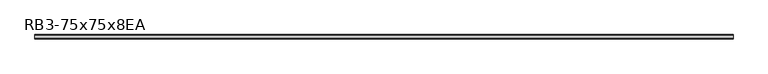
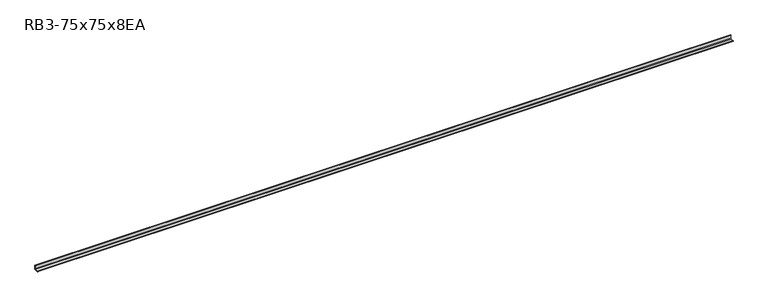
"""IFC4 building model written with IfcOpenShell, lengths in millimetres: member geometry, RB3-75x75x8EA."""

import ifcopenshell
import ifcopenshell.guid

model = None  # the IFC model being written
_history = None  # IfcOwnerHistory: only IFC2X3 demands one
_inside = {}  # id of a spatial element -> (the spatial element, [elements in it])
_under = {}  # id of a project, library or spatial element -> (it, [spatial elements below it])
_declared = {}  # id of a project -> (the project, [libraries it declares])
_typed = {}  # id of a type object -> (the type object, [elements of that type])
_made_of = {}  # id of a material, layer set ... -> (it, [elements and type objects made of it])


def new_model(schema):
    """Start an empty IFC model of exactly this schema.

    Asked for "IFC4X3", IfcOpenShell would pick the latest addendum, in which some entities
    have other attributes; the version numbers below select the first issue.
    IFC2X3 requires an IfcOwnerHistory on every rooted entity: one is made here for all.
    """
    global model, _history
    if schema == "IFC4X3":
        model = ifcopenshell.file(schema_version=(4, 3, 0, 0))
    else:
        model = ifcopenshell.file(schema=schema)
    _inside.clear()
    _under.clear()
    _declared.clear()
    _typed.clear()
    _made_of.clear()
    _history = None
    if model.schema == "IFC2X3":
        org = make("IfcOrganization", Name="unknown")
        user = make(
            "IfcPersonAndOrganization",
            ThePerson=make("IfcPerson", FamilyName="unknown"),
            TheOrganization=org,
        )
        app = make(
            "IfcApplication",
            ApplicationDeveloper=org,
            Version="unknown",
            ApplicationFullName="unknown",
            ApplicationIdentifier="unknown",
        )
        _history = make(
            "IfcOwnerHistory",
            OwningUser=user,
            OwningApplication=app,
            ChangeAction="ADDED",
            CreationDate=0,
        )
    return model


def make(cls, **values):
    """One entity of the class cls with the attributes given. An attribute that is None is left unset."""
    return model.create_entity(
        cls, **{name: value for name, value in values.items() if value is not None}
    )


def rooted(cls, **values):
    """An entity with a GlobalId (a new one), such as an element, a storey or a relation."""
    return make(cls, GlobalId=ifcopenshell.guid.new(), OwnerHistory=_history, **values)


def si_unit(unit_type, name, prefix=None):
    """IfcSIUnit, for example si_unit("LENGTHUNIT", "METRE", prefix="MILLI")."""
    return make("IfcSIUnit", UnitType=unit_type, Prefix=prefix, Name=name)


def assignment(units):
    """IfcUnitAssignment: the units of a project."""
    return None if units is None else make("IfcUnitAssignment", Units=units)


def point(xyz):
    """IfcCartesianPoint."""
    return None if xyz is None else make("IfcCartesianPoint", Coordinates=xyz)


def direction(xyz):
    """IfcDirection."""
    return None if xyz is None else make("IfcDirection", DirectionRatios=xyz)


def frame(location, z_axis=None, x_axis=None):
    """IfcAxis2Placement3D, a coordinate frame: its origin and axes. An axis left out is left unset."""
    return make(
        "IfcAxis2Placement3D",
        Location=point(location),
        Axis=direction(z_axis),
        RefDirection=direction(x_axis),
    )


def frame_2d(location, x_axis=None):
    """IfcAxis2Placement2D, a coordinate frame in the plane: its origin and x axis."""
    return make(
        "IfcAxis2Placement2D", Location=point(location), RefDirection=direction(x_axis)
    )


def origin():
    """The frame at (0, 0, 0) with its axes left unset."""
    return frame((0.0, 0.0, 0.0))


def place(relative_to, where):
    """IfcLocalPlacement: puts the frame where relative to a parent placement (None: the world)."""
    return make(
        "IfcLocalPlacement", PlacementRelTo=relative_to, RelativePlacement=where
    )


def context(
    kind, dimensions, precision=None, world=None, true_north=None, identifier=None
):
    """IfcGeometricRepresentationContext, for example the 3D "Model" context."""
    return make(
        "IfcGeometricRepresentationContext",
        ContextIdentifier=identifier,
        ContextType=kind,
        CoordinateSpaceDimension=dimensions,
        Precision=precision,
        WorldCoordinateSystem=world,
        TrueNorth=true_north,
    )


def project(units=None, contexts=None):
    """IfcProject with its units and contexts."""
    return rooted(
        "IfcProject",
        Name="project",
        RepresentationContexts=contexts,
        UnitsInContext=assignment(units),
    )


def spatial(cls, under=None, at=None, **own):
    """A site, building, storey or space (cls), placed at a placement, below another one or the project."""
    s = rooted(cls, ObjectPlacement=at, **own)
    if under is not None:
        _under.setdefault(under.id(), (under, []))[1].append(s)
    return s


def polyline(points):
    """IfcPolyline through the points."""
    return make("IfcPolyline", Points=[point(p) for p in points])


def circle_curve(where, radius):
    """IfcCircle in the frame where."""
    return make("IfcCircle", Position=where, Radius=radius)


def trimmed(basis, trim1, trim2, sense, master):
    """IfcTrimmedCurve: the piece of a basis curve between two trims."""
    return make(
        "IfcTrimmedCurve",
        BasisCurve=basis,
        Trim1=trim1,
        Trim2=trim2,
        SenseAgreement=sense,
        MasterRepresentation=master,
    )


def segment(curve, same_sense, transition):
    """IfcCompositeCurveSegment."""
    return make(
        "IfcCompositeCurveSegment",
        Transition=transition,
        SameSense=same_sense,
        ParentCurve=curve,
    )


def composite_curve(segments, self_intersect=None):
    """IfcCompositeCurve: segments joined end to end."""
    return make("IfcCompositeCurve", Segments=segments, SelfIntersect=self_intersect)


def outline(outer, holes=None, kind="AREA"):
    """IfcArbitraryClosedProfileDef: a profile drawn as a closed curve; with holes, ...WithVoids."""
    if holes is None:
        return make("IfcArbitraryClosedProfileDef", ProfileType=kind, OuterCurve=outer)
    return make(
        "IfcArbitraryProfileDefWithVoids",
        ProfileType=kind,
        OuterCurve=outer,
        InnerCurves=holes,
    )


def extrude(swept, where, along, depth):
    """IfcExtrudedAreaSolid: the profile swept, set in the frame where, extruded along a direction by depth."""
    return make(
        "IfcExtrudedAreaSolid",
        SweptArea=swept,
        Position=where,
        ExtrudedDirection=direction(along),
        Depth=depth,
    )


def shape(context_of_items, identifier, shape_type, items):
    """IfcShapeRepresentation: the items that make up one representation, for example the "Body"."""
    return make(
        "IfcShapeRepresentation",
        ContextOfItems=context_of_items,
        RepresentationIdentifier=identifier,
        RepresentationType=shape_type,
        Items=items,
    )


def source(mapping_origin, context_of_items, identifier, shape_type, items):
    """IfcRepresentationMap: a shape defined once, which mapped items show again and again."""
    return make(
        "IfcRepresentationMap",
        MappingOrigin=mapping_origin,
        MappedRepresentation=shape(context_of_items, identifier, shape_type, items),
    )


def transform(
    local_origin,
    x_axis=None,
    y_axis=None,
    z_axis=None,
    scale=None,
    scale2=None,
    scale3=None,
    uniform=True,
):
    """IfcCartesianTransformationOperator3D, or its non-uniform kind. x_axis, y_axis, z_axis: its Axis1, 2, 3."""
    if uniform:
        return make(
            "IfcCartesianTransformationOperator3D",
            Axis1=direction(x_axis),
            Axis2=direction(y_axis),
            LocalOrigin=point(local_origin),
            Scale=scale,
            Axis3=direction(z_axis),
        )
    return make(
        "IfcCartesianTransformationOperator3DnonUniform",
        Axis1=direction(x_axis),
        Axis2=direction(y_axis),
        LocalOrigin=point(local_origin),
        Scale=scale,
        Axis3=direction(z_axis),
        Scale2=scale2,
        Scale3=scale3,
    )


def mapped(mapping_source, mapping_target):
    """IfcMappedItem: shows the shape of a source again, moved by a transform."""
    return make(
        "IfcMappedItem", MappingSource=mapping_source, MappingTarget=mapping_target
    )


def made_of(thing, what):
    """Note that an element or type object is made of a material, layer set ...; save() writes the relation."""
    if what is not None:
        _made_of.setdefault(what.id(), (what, []))[1].append(thing)
    return thing


def element(
    cls,
    number,
    at=None,
    inside=None,
    cuts=None,
    type_object=None,
    material=None,
    context=None,
    identifier="Body",
    shape_type=None,
    held_by="IfcProductDefinitionShape",
    body=None,
    shapes=None,
    **own,
):
    """One element of the class cls, such as IfcWall. Its Tag is "e" and its number.

    at: its placement. inside: the storey or other place that contains it. cuts: it is an
    opening in that element (IfcRelVoidsElement). A single representation is given by context,
    identifier, shape_type and body (its items); several are given by shapes. held_by: the class
    of the entity that holds the representations. save() writes the other relations.
    """
    e = rooted(cls, Tag="e%d" % number, ObjectPlacement=at, **own)
    if body is not None:
        shapes = [shape(context, identifier, shape_type, body)]
    if shapes is not None:
        e.Representation = make(held_by, Representations=shapes)
    if inside is not None:
        _inside.setdefault(inside.id(), (inside, []))[1].append(e)
    if cuts is not None:
        rooted(
            "IfcRelVoidsElement", RelatingBuildingElement=cuts, RelatedOpeningElement=e
        )
    if type_object is not None:
        _typed.setdefault(type_object.id(), (type_object, []))[1].append(e)
    return made_of(e, material)


def aggregate(whole, parts):
    """IfcRelAggregates: a whole, such as a stair, and the parts it consists of."""
    return rooted("IfcRelAggregates", RelatingObject=whole, RelatedObjects=parts)


def save(model, path):
    """Write the relations noted so far, then the file.

    IfcRelAggregates (storeys below a building ...), IfcRelContainedInSpatialStructure (elements
    in a storey), IfcRelDefinesByType, IfcRelAssociatesMaterial and IfcRelDeclares: one each for
    every whole, place, type object, material and project.
    """
    for whole, parts in _under.values():
        aggregate(whole, parts)
    for where, things in _inside.values():
        rooted(
            "IfcRelContainedInSpatialStructure",
            RelatedElements=things,
            RelatingStructure=where,
        )
    for kind, things in _typed.values():
        rooted("IfcRelDefinesByType", RelatedObjects=things, RelatingType=kind)
    for what, things in _made_of.values():
        rooted("IfcRelAssociatesMaterial", RelatedObjects=things, RelatingMaterial=what)
    for by, libraries in _declared.values():
        rooted("IfcRelDeclares", RelatingContext=by, RelatedDefinitions=libraries)
    model.write(path)


def rb3_75x75x8ea_01d60213(model_context):
    return source(origin(), model_context, "Body", "SweptSolid", [
        extrude(outline(composite_curve([segment(polyline([(21.3, -21.3), (-53.7, -21.3), (-53.7, -18.3)]), True, "CONTINUOUS"), segment(trimmed(circle_curve(frame_2d((-48.7, -18.3)), 5.0), [point((-53.7, -18.3))], [point((-48.7, -13.3))], False, "CARTESIAN"), True, "CONTINUOUS"), segment(polyline([(-48.7, -13.3), (5.3, -13.3)]), True, "CONTINUOUS"), segment(trimmed(circle_curve(frame_2d((5.3, -5.3)), 8.0), [point((5.3, -13.3))], [point((13.3, -5.3))], True, "CARTESIAN"), True, "CONTINUOUS"), segment(polyline([(13.3, -5.3), (13.3, 48.7)]), True, "CONTINUOUS"), segment(trimmed(circle_curve(frame_2d((18.3, 48.7)), 5.0), [point((13.3, 48.7))], [point((18.3, 53.7))], False, "CARTESIAN"), True, "CONTINUOUS"), segment(polyline([(18.3, 53.7), (21.3, 53.7), (21.3, -21.3)]), True, "CONTINUOUS")], self_intersect=False)), frame((-6184.5, 0.0, 0.0), z_axis=(1.0, 0.0, 0.0), x_axis=(0.0, 1.0, 0.0)), (0.0, 0.0, 1.0), 12124.0),
    ])


if __name__ == "__main__":
    model = new_model("IFC4")
    model_context = context("Model", 3, world=origin())
    ifc_project = project(units=[si_unit("LENGTHUNIT", "METRE", prefix="MILLI")], contexts=[model_context])
    site = spatial("IfcSite", under=ifc_project)
    building = spatial("IfcBuilding", under=site)
    placement = place(None, origin())
    rb3_75x75x8ea_shape = rb3_75x75x8ea_01d60213(model_context)
    element("IfcMember", 1, ObjectType="RB3-75x75x8EA", at=placement, inside=building, context=model_context, shape_type="MappedRepresentation", body=[
        mapped(rb3_75x75x8ea_shape, transform((0.0, 0.0, 0.0), x_axis=(1.0, 0.0, 0.0), y_axis=(0.0, 1.0, 0.0), z_axis=(0.0, 0.0, 1.0))),
    ])
    save(model, "model.ifc")
